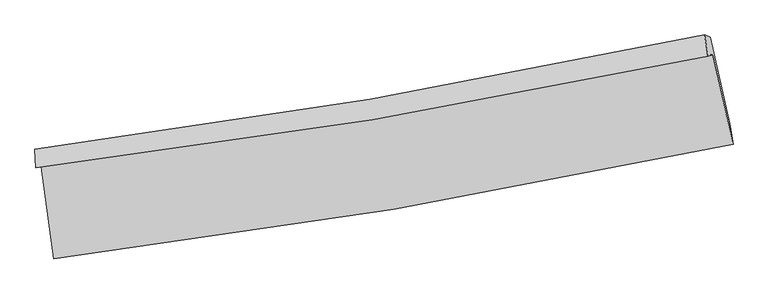
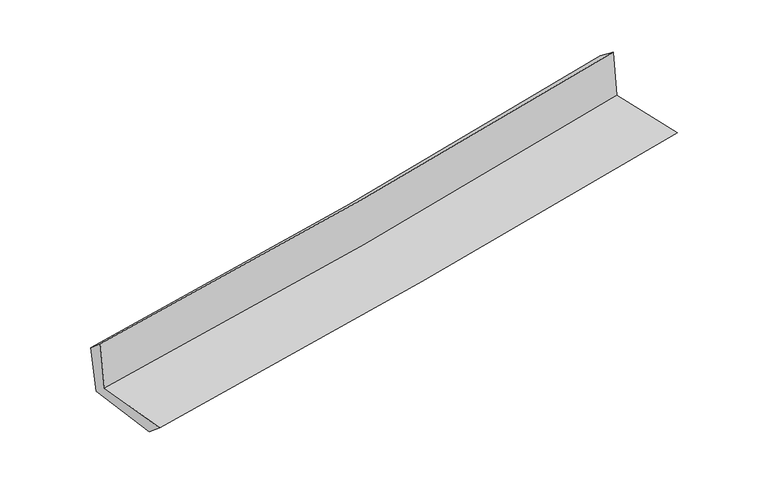
"""IFC4 building model written with IfcOpenShell, lengths in millimetres: proxy geometry."""

from ifc_helpers import new_model, si_unit, frame, origin, place, context, project, spatial, source, transform, mapped, element, save
from ifc_brep_helpers import plane_surface, spline_curve, spline_surface, advanced_brep


def generic_models_ef69f448(model_context):
    return source(origin(), model_context, "Body", "AdvancedBrep", [
        advanced_brep(
        [(-2464.4627535, -1884.5767557, 1641.4410206), (-2373.8249452, -2552.5647784, 1652.0025551), (2555.1156022, -1722.0540974, 2106.647612), (2408.6184757, -1071.9355523, 2103.1764268), (-2502.2171127, -1890.8385906, 2062.0380422), (2372.8191558, -1082.7823013, 2513.8986622), (-2509.8914952, -1759.3546624, 1949.2208707), (2349.0446911, -928.426037, 2394.8686424), (-2470.8079269, -1775.9451173, 1548.282135), (2388.010149, -944.1164478, 2014.5022398), (-2382.3216419, -2413.2672861, 1536.4705925), (2531.5252221, -1574.6325348, 2002.457951)],
        [
            (0, 1),
            (1, 2, spline_curve(3, [(-2373.8249452, -2552.5647784, 1652.0025551), (-1549.529092653, -2450.659231223, 1744.656247763), (-727.482161076, -2330.678090457, 1828.809355572), (915.516730307, -2053.99156695, 1980.428423795), (1736.449981159, -1897.135813925, 2047.823668361), (2555.1156022, -1722.0540974, 2106.647612)], [4, 2, 4], [0.0, 8.172268193124959, 16.378458363904794])),
            (2, 3),
            (3, 0, spline_curve(3, [(2408.6184757, -1071.9355523, 2103.1764268), (1600.286357938, -1245.866370896, 2034.640286405), (789.18340275, -1400.652568686, 1961.805688354), (-835.19986716, -1671.375020711, 1807.858422821), (-1648.457321892, -1787.469223726, 1726.781218611), (-2464.4627535, -1884.5767557, 1641.4410206)], [4, 2, 4], [0.0, 8.206190170779836, 16.378458363904794])),
            (4, 0),
            (3, 5),
            (5, 4, spline_curve(3, [(2372.8191558, -1082.7823013, 2513.8986622), (1563.807833457, -1254.369490488, 2446.972470192), (752.202383657, -1407.602640311, 2375.767490146), (-872.831107971, -1676.803309701, 2225.111982159), (-1686.237747972, -1792.922256527, 2145.696755459), (-2502.2171127, -1890.8385906, 2062.0380422)], [4, 2, 4], [0.0, 8.159316603191574, 16.284904990276473])),
            (6, 4),
            (5, 7),
            (7, 6, spline_curve(3, [(2349.0446911, -928.426037, 2394.8686424), (1542.922990798, -1101.940900882, 2327.093876425), (734.106596791, -1258.04982299, 2255.985372628), (-885.561030927, -1534.882426865, 2107.408610916), (-1696.390032061, -1655.749712996, 2029.967857567), (-2509.8914952, -1759.3546624, 1949.2208707)], [4, 2, 4], [0.0, 8.148880618053955, 16.26407615929575])),
            (8, 6),
            (7, 9),
            (9, 8, spline_curve(3, [(2388.010149, -944.1164478, 2014.5022398), (1581.920411653, -1117.70702137, 1943.153489795), (773.129849027, -1273.929034928, 1868.540225085), (-846.498458799, -1551.061961718, 1713.10658996), (-1657.313921752, -1672.116171441, 1632.313153114), (-2470.8079269, -1775.9451173, 1548.282135)], [4, 2, 4], [0.0, 8.139986877913413, 16.24632544312177])),
            (10, 8),
            (9, 11),
            (11, 10, spline_curve(3, [(2531.5252221, -1574.6325348, 2002.457951), (1715.387933036, -1745.761401562, 1932.931239177), (896.979252278, -1901.324635995, 1859.246582782), (-740.988442328, -2180.741131675, 1703.883159046), (-1560.528716145, -2304.722814384, 1622.238696012), (-2382.3216419, -2413.2672861, 1536.4705925)], [4, 2, 4], [0.0, 8.18668105455278, 16.339520776401745])),
            (1, 10),
            (11, 2),
        ],
        [
            spline_surface(3, 3, [[(-2464.4627535, -1884.5767557, 1641.4410206), (-1648.45732185, -1787.469223841, 1726.781218639), (-835.199867226, -1671.375020595, 1807.858422726), (789.183402816, -1400.652568802, 1961.805688449), (1600.286357923, -1245.866370902, 2034.640286457), (2408.6184757, -1071.9355523, 2103.1764268)], [(-2434.250150726, -2107.239429939, 1644.961532108), (-1615.481245403, -2008.53255964, 1732.739561715), (-799.293965137, -1891.14271056, 1814.842066969), (831.294511941, -1618.432234844, 1968.013266887), (1645.674232316, -1462.956185263, 2039.034747141), (2457.450851207, -1288.64173399, 2104.333488548)], [(-2404.037547974, -2329.902104161, 1648.482043592), (-1582.505168979, -2229.595895424, 1738.697904767), (-763.388063048, -2110.910400519, 1821.825711287), (873.405621065, -1836.211900881, 1974.2208454), (1691.06210669, -1680.045999653, 2043.429207782), (2506.283226693, -1505.34791571, 2105.490550252)], [(-2373.8249452, -2552.5647784, 1652.0025551), (-1549.529092531, -2450.659231223, 1744.656247843), (-727.482160959, -2330.678090484, 1828.809355529), (915.51673019, -2053.991566923, 1980.428423838), (1736.449981084, -1897.135814014, 2047.823668466), (2555.1156022, -1722.0540974, 2106.647612)]], [4, 4], [4, 2, 4], [0.0, 2.1881909041227035], [0.0, 8.172268193124959, 16.378458363904794]),
            spline_surface(3, 3, [[(-2502.2171127, -1890.8385906, 2062.0380422), (-1686.237748026, -1792.922256645, 2145.696755412), (-872.831108098, -1676.803309831, 2225.111982119), (752.202383784, -1407.602640181, 2375.767490186), (1563.807833374, -1254.369490559, 2446.972470123), (2372.8191558, -1082.7823013, 2513.8986622)], [(-2489.632326311, -1888.751312319, 1921.839035013), (-1673.644272644, -1791.104579063, 2006.058243168), (-860.287361149, -1674.993880071, 2086.027462345), (764.52939012, -1405.285949706, 2237.780222964), (1575.967341557, -1251.535117364, 2309.52840889), (2384.752262433, -1079.166718324, 2376.991250389)], [(-2477.047539889, -1886.664033981, 1781.640027787), (-1661.050797231, -1789.286901423, 1866.419730884), (-847.743614174, -1673.184450355, 1946.942942501), (776.856396481, -1402.969259276, 2099.792955671), (1588.12684974, -1248.700744097, 2172.08434769), (2396.685369067, -1075.551135276, 2240.083838611)], [(-2464.4627535, -1884.5767557, 1641.4410206), (-1648.45732185, -1787.469223841, 1726.781218639), (-835.199867226, -1671.375020595, 1807.858422726), (789.183402816, -1400.652568802, 1961.805688449), (1600.286357923, -1245.866370902, 2034.640286457), (2408.6184757, -1071.9355523, 2103.1764268)]], [4, 4], [4, 2, 4], [0.0, 1.3691525843806251], [0.0, 8.1255883870849, 16.284904990276473]),
            spline_surface(3, 3, [[(-2509.8914952, -1759.3546624, 1949.2208707), (-1696.390032169, -1655.749713108, 2029.967857682), (-885.561030842, -1534.882426822, 2107.40861094), (734.106596706, -1258.049823033, 2255.985372604), (1542.922990779, -1101.940900831, 2327.09387656), (2349.0446911, -928.426037, 2394.8686424)], [(-2507.333367673, -1803.182638461, 1986.826594532), (-1693.005937427, -1701.473894281, 2068.544156924), (-881.317723251, -1582.189387833, 2146.643067974), (740.138525742, -1307.90076209, 2295.912745105), (1549.884604978, -1152.750430725, 2367.053407747), (2356.969512668, -979.878125085, 2434.545315666)], [(-2504.775240227, -1847.010614539, 2024.432318368), (-1689.621842767, -1747.198075472, 2107.12045617), (-877.074415689, -1629.49634882, 2185.877525086), (746.170454749, -1357.751701123, 2335.840117684), (1556.846219175, -1203.559960665, 2407.012938936), (2364.894334232, -1031.330213215, 2474.221988934)], [(-2502.2171127, -1890.8385906, 2062.0380422), (-1686.237748026, -1792.922256645, 2145.696755412), (-872.831108098, -1676.803309831, 2225.111982119), (752.202383784, -1407.602640181, 2375.767490186), (1563.807833374, -1254.369490559, 2446.972470123), (2372.8191558, -1082.7823013, 2513.8986622)]], [4, 4], [4, 2, 4], [0.0, 0.6188762591559461], [0.0, 8.115195541241796, 16.26407615929575]),
            spline_surface(3, 3, [[(-2470.8079269, -1775.9451173, 1548.282135), (-1657.313921758, -1672.116171535, 1632.31315321), (-846.498458878, -1551.061961778, 1713.106590067), (773.129849106, -1273.929034868, 1868.540224977), (1581.920411523, -1117.707021462, 1943.15348971), (2388.010149, -944.1164478, 2014.5022398)], [(-2483.835783028, -1770.414965672, 1681.928380218), (-1670.339291923, -1666.660685398, 1764.864721352), (-859.519316217, -1545.66878348, 1844.540597026), (760.122098288, -1268.635964276, 1997.688607521), (1568.921271264, -1112.451647937, 2071.13361865), (2375.021663022, -938.886310885, 2141.291040657)], [(-2496.863639072, -1764.884814028, 1815.574625482), (-1683.364662004, -1661.205199245, 1897.41628954), (-872.540173503, -1540.275605121, 1975.974603981), (747.114347524, -1263.342893624, 2126.83699006), (1555.922131039, -1107.196274356, 2199.11374762), (2362.033177078, -933.656173915, 2268.079841543)], [(-2509.8914952, -1759.3546624, 1949.2208707), (-1696.390032169, -1655.749713108, 2029.967857682), (-885.561030842, -1534.882426822, 2107.40861094), (734.106596706, -1258.049823033, 2255.985372604), (1542.922990779, -1101.940900831, 2327.09387656), (2349.0446911, -928.426037, 2394.8686424)]], [4, 4], [4, 2, 4], [0.0, 1.2898012739081977], [0.0, 8.106338565208356, 16.24632544312177]),
            spline_surface(3, 3, [[(-2382.3216419, -2413.2672861, 1536.4705925), (-1560.52871613, -2304.722814283, 1622.238695891), (-740.988442222, -2180.741131625, 1703.88315897), (896.979252171, -1901.324636044, 1859.246582858), (1715.387932911, -1745.761401599, 1932.93123929), (2531.5252221, -1574.6325348, 2002.457951)], [(-2411.817070223, -2200.82656317, 1540.407773331), (-1592.790451329, -2093.85393337, 1625.596848329), (-776.158447783, -1970.848074979, 1706.957636011), (855.696117807, -1692.192768954, 1862.344463573), (1670.898759117, -1536.409941552, 1936.338656105), (2483.686864402, -1364.460505799, 2006.472713942)], [(-2441.312498577, -1988.38584023, 1544.344954169), (-1625.052186559, -1882.985052448, 1628.955000772), (-811.328453317, -1760.955018425, 1710.032113026), (814.41298347, -1483.060901957, 1865.442344262), (1626.409585317, -1327.058481509, 1939.746072895), (2435.848506698, -1154.288476801, 2010.487476858)], [(-2470.8079269, -1775.9451173, 1548.282135), (-1657.313921758, -1672.116171535, 1632.31315321), (-846.498458878, -1551.061961778, 1713.106590067), (773.129849106, -1273.929034868, 1868.540224977), (1581.920411523, -1117.707021462, 1943.15348971), (2388.010149, -944.1164478, 2014.5022398)]], [4, 4], [4, 2, 4], [0.0, 2.0964007344475464], [0.0, 8.152839721848965, 16.339520776401745]),
            spline_surface(3, 3, [[(-2373.8249452, -2552.5647784, 1652.0025551), (-1549.529092531, -2450.659231223, 1744.656247843), (-727.482160959, -2330.678090484, 1828.809355529), (915.51673019, -2053.991566923, 1980.428423838), (1736.449981084, -1897.135814014, 2047.823668466), (2555.1156022, -1722.0540974, 2106.647612)], [(-2376.65717744, -2506.132280939, 1613.491900898), (-1553.195633737, -2402.013758882, 1703.85039719), (-731.984254688, -2280.699104213, 1787.167290027), (909.337570876, -2003.102589979, 1940.034476863), (1729.429298362, -1846.677676526, 2009.526192073), (2547.252142169, -1672.913576517, 2071.917724999)], [(-2379.48940966, -2459.699783561, 1574.981246702), (-1556.862174924, -2353.368286624, 1663.044546544), (-736.486348493, -2230.720117896, 1745.525224472), (903.158411485, -1952.213612988, 1899.640529834), (1722.408615633, -1796.219539087, 1971.228715683), (2539.388682131, -1623.773055683, 2037.187838001)], [(-2382.3216419, -2413.2672861, 1536.4705925), (-1560.52871613, -2304.722814283, 1622.238695891), (-740.988442222, -2180.741131625, 1703.88315897), (896.979252171, -1901.324636044, 1859.246582858), (1715.387932911, -1745.761401599, 1932.93123929), (2531.5252221, -1574.6325348, 2002.457951)]], [4, 4], [4, 2, 4], [0.0, 0.6420007907540766], [0.0, 8.208408092537741, 16.450888174554663]),
            plane_surface(frame((2434.1888827, -1220.6578284, 2189.258589), z_axis=(0.9714350284233051, 0.21938531829936447, 0.09046583701541215), x_axis=(-0.10182286988303496, 0.04100151098651611, 0.993957232110922))),
            plane_surface(frame((-2450.5876459, -2046.0911984, 1731.5758694), z_axis=(-0.986654280855135, -0.1353090848188297, -0.09058024970007275), x_axis=(-0.13443917741672168, 0.9907980119956742, -0.01566547161547487))),
        ],
        [
            (0, [[1, 2, 3, 4]]),
            (1, [[5, -4, 6, 7]]),
            (2, [[8, -7, 9, 10]]),
            (3, [[11, -10, 12, 13]]),
            (4, [[14, -13, 15, 16]]),
            (5, [[17, -16, 18, -2]]),
            (6, [[-12, -9, -6, -3, -18, -15]]),
            (7, [[-1, -5, -8, -11, -14, -17]]),
        ],
    ),
    ])


if __name__ == "__main__":
    model = new_model("IFC4")
    model_context = context("Model", 3, world=origin())
    ifc_project = project(units=[si_unit("LENGTHUNIT", "METRE", prefix="MILLI")], contexts=[model_context])
    site = spatial("IfcSite", under=ifc_project)
    building = spatial("IfcBuilding", under=site)
    placement = place(None, origin())
    generic_models_shape = generic_models_ef69f448(model_context)
    element("IfcBuildingElementProxy", 1, Name="Generic Models", at=placement, inside=building, context=model_context, shape_type="MappedRepresentation", body=[
        mapped(generic_models_shape, transform((0.0, 0.0, 0.0), x_axis=(1.0, 0.0, 0.0), y_axis=(0.0, 1.0, 0.0), z_axis=(0.0, 0.0, 1.0))),
    ])
    save(model, "model.ifc")
